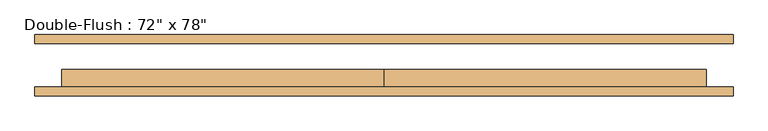
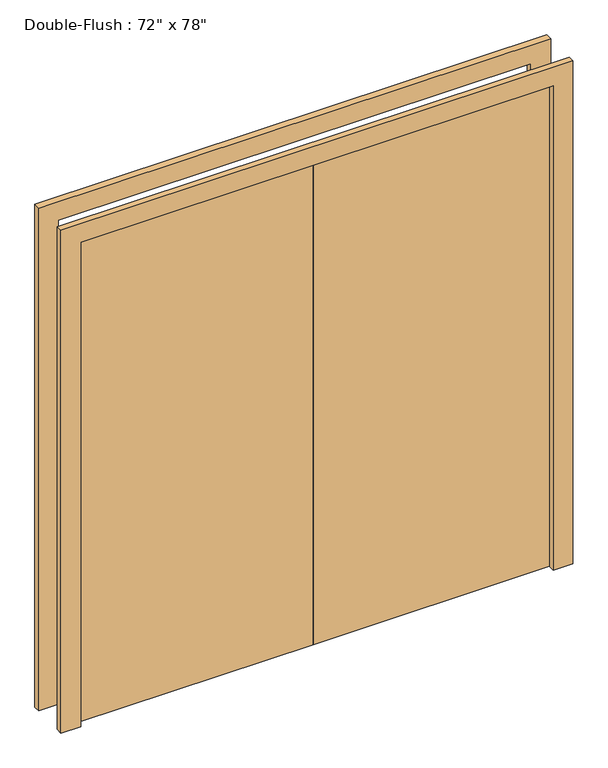
"""IFC4 building model written with IfcOpenShell, lengths in millimetres: door geometry."""

from ifc_helpers import new_model, si_unit, frame, origin, origin_with_axes, place, context, project, spatial, polyline, outline, extrude, source, transform, mapped, element, save


def door_df1cfc83(model_context):
    return source(origin(), model_context, "Body", "SweptSolid", [
        extrude(outline(polyline([(0.0, -61.9125), (0.0, -11.1125), (914.4, -11.1125), (914.4, -61.9125), (0.0, -61.9125)])), origin_with_axes(), (0.0, 0.0, 1.0), 1981.2),
        extrude(outline(polyline([(-914.4, -61.9125), (-914.4, -11.1125), (0.0, -11.1125), (0.0, -61.9125), (-914.4, -61.9125)])), origin_with_axes(), (0.0, 0.0, 1.0), 1981.2),
        extrude(outline(polyline([(1981.2, -914.4), (1981.2, 914.4), (0.0, 914.4), (0.0, 990.6), (2057.4, 990.6), (2057.4, -990.6), (0.0, -990.6), (0.0, -914.4), (1981.2, -914.4)])), frame((0.0, 61.9125, 0.0), z_axis=(0.0, 1.0, 0.0), x_axis=(0.0, 0.0, 1.0)), (0.0, 0.0, 1.0), 25.4),
        extrude(outline(polyline([(1981.2, -914.4), (1981.2, 914.4), (0.0, 914.4), (0.0, 990.6), (2057.4, 990.6), (2057.4, -990.6), (0.0, -990.6), (0.0, -914.4), (1981.2, -914.4)])), frame((0.0, -87.3125, 0.0), z_axis=(0.0, 1.0, 0.0), x_axis=(0.0, 0.0, 1.0)), (0.0, 0.0, 1.0), 25.4),
    ])


if __name__ == "__main__":
    model = new_model("IFC4")
    model_context = context("Model", 3, world=origin())
    ifc_project = project(units=[si_unit("LENGTHUNIT", "METRE", prefix="MILLI")], contexts=[model_context])
    site = spatial("IfcSite", under=ifc_project)
    building = spatial("IfcBuilding", under=site)
    placement = place(None, origin())
    door_shape = door_df1cfc83(model_context)
    element("IfcDoor", 1, ObjectType="Double-Flush : 72\" x 78\"", at=placement, inside=building, context=model_context, shape_type="MappedRepresentation", body=[
        mapped(door_shape, transform((0.0, 0.0, 0.0), x_axis=(1.0, 0.0, 0.0), y_axis=(0.0, 1.0, 0.0), z_axis=(0.0, 0.0, 1.0))),
    ])
    save(model, "model.ifc")
